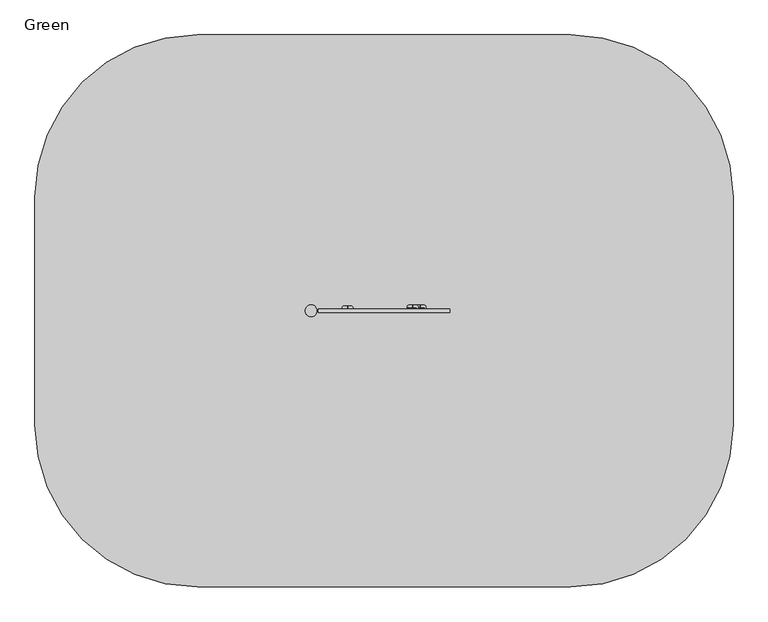
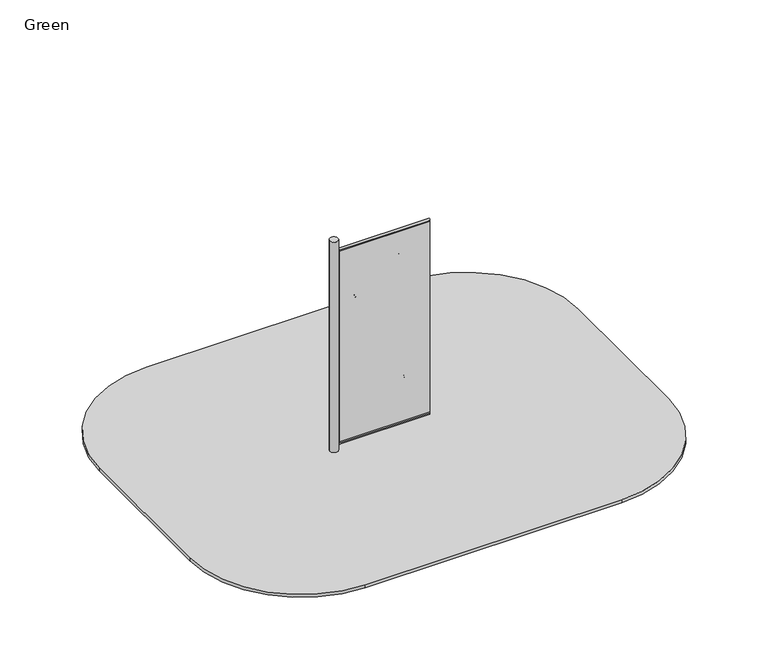
"""IFC4 building model written with IfcOpenShell, lengths in millimetres: furniture geometry, Green."""

from ifc_helpers import new_model, si_unit, point, frame, frame_2d, origin, place, context, project, spatial, polyline, circle_curve, ellipse_curve, trimmed, segment, composite_curve, outline, extrude, source, transform, mapped, element, save
from ifc_brep_helpers import plane_surface, revolved_surface, advanced_brep


def green_36b7f250(model_context):
    return source(origin(), model_context, "Body", "SolidModel", [
        advanced_brep(
        [(287.0, 16.4999962, 700.0), (297.0, 16.4999962, 700.0), (297.0, 32.6334274, 700.0), (336.8, 32.6334274, 700.0), (336.8, 52.6334274, 700.0), (304.9059358, 52.6334274, 700.0), (289.2570442, 43.5545372, 700.0), (387.0, 16.4999962, 700.0), (384.7429558, 43.5545372, 700.0), (369.0940642, 52.6334274, 700.0), (337.2, 52.6334274, 700.0), (337.2, 32.6334274, 700.0), (377.0, 32.6334274, 700.0), (377.0, 16.4999962, 700.0)],
        [
            (0, 1),
            (1, 2),
            (2, 3),
            (3, 4),
            (4, 5),
            (5, 6, circle_curve(frame((304.9059358, 34.6073225, 700.0), z_axis=(0.0, 0.0, 1.0), x_axis=(1.0, 0.0, 0.0)), 18.026105)),
            (6, 0, circle_curve(frame((317.1513924, 27.6060132, 700.0), z_axis=(0.0, 0.0, 1.0), x_axis=(1.0, 0.0, 0.0)), 32.1317612)),
            (7, 8, circle_curve(frame((356.8486076, 27.6060132, 700.0), z_axis=(0.0, 0.0, 1.0), x_axis=(-1.0, 0.0, 0.0)), 32.1317612)),
            (8, 9, circle_curve(frame((369.0940642, 34.6073225, 700.0), z_axis=(0.0, 0.0, 1.0), x_axis=(-1.0, 0.0, 0.0)), 18.026105)),
            (9, 10),
            (10, 11),
            (11, 12),
            (12, 13),
            (13, 7),
            (13, 1, circle_curve(frame((337.0, 16.4999962, 700.0), z_axis=(0.0, 1.0, 0.0), x_axis=(-1.0, 0.0, 0.0)), 40.0)),
            (0, 7, circle_curve(frame((337.0, 16.4999962, 700.0), z_axis=(0.0, -1.0, 0.0), x_axis=(-1.0, 0.0, 0.0)), 50.0)),
            (12, 2, circle_curve(frame((337.0, 32.6334274, 700.0), z_axis=(0.0, 1.0, 0.0), x_axis=(-1.0, 0.0, 0.0)), 40.0)),
            (9, 5, circle_curve(frame((337.0, 52.6334274, 700.0), z_axis=(0.0, 1.0, 0.0), x_axis=(-1.0, 0.0, 0.0)), 32.0940642)),
            (4, 10, circle_curve(frame((337.0, 52.6334274, 700.0), z_axis=(0.0, -1.0, 0.0), x_axis=(-1.0, 0.0, 0.0)), 0.2)),
            (11, 3, circle_curve(frame((337.0, 32.6334274, 700.0), z_axis=(0.0, 1.0, 0.0), x_axis=(-1.0, 0.0, 0.0)), 0.2)),
            (8, 6, circle_curve(frame((337.0, 43.5545372, 700.0), z_axis=(0.0, 1.0, 0.0), x_axis=(-1.0, 0.0, 0.0)), 47.7429558)),
        ],
        [
            plane_surface(frame((297.0, 16.4999962, 700.0), z_axis=(0.0, 0.0, 1.0), x_axis=(0.0, -1.0, 0.0))),
            plane_surface(frame((377.0, 16.4999962, 700.0), z_axis=(0.0, 0.0, 1.0), x_axis=(0.0, -1.0, 0.0))),
            plane_surface(frame((337.0, 16.4999962, 700.0), z_axis=(0.0, -1.0, 0.0), x_axis=(-1.0, 0.0, 0.0))),
            revolved_surface(polyline([(297.0, 16.4999962, 700.0), (297.0, 32.6334274, 700.0)]), (337.0, 16.4999962, 700.0), (0.0, -1.0, 0.0)),
            plane_surface(frame((337.0, 52.6334274, 700.0), z_axis=(0.0, 1.0, 0.0), x_axis=(-1.0, 0.0, 0.0))),
            plane_surface(frame((337.0, 32.6334274, 700.0), z_axis=(0.0, -1.0, 0.0), x_axis=(-1.0, 0.0, 0.0))),
            revolved_surface(polyline([(336.8, 32.6334274, 700.0), (336.8, 52.6334274, 700.0)]), (337.0, 16.4999962, 700.0), (0.0, -1.0, 0.0)),
            revolved_surface(trimmed(ellipse_curve(frame((304.9059358, 34.6073225, 700.0), z_axis=(0.0, 0.0, 1.0), x_axis=(1.0, 0.0, 0.0)), 18.026105, 18.026105), [point((304.9059358, 52.6334274, 700.0))], [point((289.2570442, 43.5545372, 700.0))], True, "CARTESIAN"), (337.0, 16.4999962, 700.0), (0.0, -1.0, 0.0)),
            revolved_surface(trimmed(ellipse_curve(frame((317.1513924, 27.6060132, 700.0), z_axis=(0.0, 0.0, 1.0), x_axis=(1.0, 0.0, 0.0)), 32.1317612, 32.1317612), [point((289.2570442, 43.5545372, 700.0))], [point((287.0, 16.4999962, 700.0))], True, "CARTESIAN"), (337.0, 16.4999962, 700.0), (0.0, -1.0, 0.0)),
        ],
        [
            (0, [[1, 2, 3, 4, 5, 6, 7]]),
            (1, [[8, 9, 10, 11, 12, 13, 14]]),
            (2, [[15, -1, 16, -14]]),
            (3, [[17, -2, -15, -13]]),
            (4, [[18, -5, 19, -10]]),
            (5, [[20, -3, -17, -12]]),
            (6, [[-19, -4, -20, -11]]),
            (7, [[21, -6, -18, -9]]),
            (8, [[-16, -7, -21, -8]]),
        ],
    ),
        advanced_brep(
        [(215.0, 16.4999962, 2475.0), (225.0, 16.4999962, 2475.0), (225.0, 32.6334274, 2475.0), (264.8, 32.6334274, 2475.0), (264.8, 52.6334274, 2475.0), (232.9059358, 52.6334274, 2475.0), (217.2570442, 43.5545372, 2475.0), (315.0, 16.4999962, 2475.0), (312.7429558, 43.5545372, 2475.0), (297.0940642, 52.6334274, 2475.0), (265.2, 52.6334274, 2475.0), (265.2, 32.6334274, 2475.0), (305.0, 32.6334274, 2475.0), (305.0, 16.4999962, 2475.0)],
        [
            (0, 1),
            (1, 2),
            (2, 3),
            (3, 4),
            (4, 5),
            (5, 6, circle_curve(frame((232.9059358, 34.6073225, 2475.0), z_axis=(0.0, 0.0, 1.0), x_axis=(1.0, 0.0, 0.0)), 18.026105)),
            (6, 0, circle_curve(frame((245.1513924, 27.6060132, 2475.0), z_axis=(0.0, 0.0, 1.0), x_axis=(1.0, 0.0, 0.0)), 32.1317612)),
            (7, 8, circle_curve(frame((284.8486076, 27.6060132, 2475.0), z_axis=(0.0, 0.0, 1.0), x_axis=(-1.0, 0.0, 0.0)), 32.1317612)),
            (8, 9, circle_curve(frame((297.0940642, 34.6073225, 2475.0), z_axis=(0.0, 0.0, 1.0), x_axis=(-1.0, 0.0, 0.0)), 18.026105)),
            (9, 10),
            (10, 11),
            (11, 12),
            (12, 13),
            (13, 7),
            (13, 1, circle_curve(frame((265.0, 16.4999962, 2475.0), z_axis=(0.0, 1.0, 0.0), x_axis=(-1.0, 0.0, 0.0)), 40.0)),
            (0, 7, circle_curve(frame((265.0, 16.4999962, 2475.0), z_axis=(0.0, -1.0, 0.0), x_axis=(-1.0, 0.0, 0.0)), 50.0)),
            (12, 2, circle_curve(frame((265.0, 32.6334274, 2475.0), z_axis=(0.0, 1.0, 0.0), x_axis=(-1.0, 0.0, 0.0)), 40.0)),
            (9, 5, circle_curve(frame((265.0, 52.6334274, 2475.0), z_axis=(0.0, 1.0, 0.0), x_axis=(-1.0, 0.0, 0.0)), 32.0940642)),
            (4, 10, circle_curve(frame((265.0, 52.6334274, 2475.0), z_axis=(0.0, -1.0, 0.0), x_axis=(-1.0, 0.0, 0.0)), 0.2)),
            (11, 3, circle_curve(frame((265.0, 32.6334274, 2475.0), z_axis=(0.0, 1.0, 0.0), x_axis=(-1.0, 0.0, 0.0)), 0.2)),
            (8, 6, circle_curve(frame((265.0, 43.5545372, 2475.0), z_axis=(0.0, 1.0, 0.0), x_axis=(-1.0, 0.0, 0.0)), 47.7429558)),
        ],
        [
            plane_surface(frame((225.0, 16.4999962, 2475.0), z_axis=(0.0, 0.0, 1.0), x_axis=(0.0, -1.0, 0.0))),
            plane_surface(frame((305.0, 16.4999962, 2475.0), z_axis=(0.0, 0.0, 1.0), x_axis=(0.0, -1.0, 0.0))),
            plane_surface(frame((265.0, 16.4999962, 2475.0), z_axis=(0.0, -1.0, 0.0), x_axis=(-1.0, 0.0, 0.0))),
            revolved_surface(polyline([(225.0, 16.4999962, 2475.0), (225.0, 32.6334274, 2475.0)]), (265.0, 16.4999962, 2475.0), (0.0, -1.0, 0.0)),
            plane_surface(frame((265.0, 52.6334274, 2475.0), z_axis=(0.0, 1.0, 0.0), x_axis=(-1.0, 0.0, 0.0))),
            plane_surface(frame((265.0, 32.6334274, 2475.0), z_axis=(0.0, -1.0, 0.0), x_axis=(-1.0, 0.0, 0.0))),
            revolved_surface(polyline([(264.8, 32.6334274, 2475.0), (264.8, 52.6334274, 2475.0)]), (265.0, 16.4999962, 2475.0), (0.0, -1.0, 0.0)),
            revolved_surface(trimmed(ellipse_curve(frame((232.9059358, 34.6073225, 2475.0), z_axis=(0.0, 0.0, 1.0), x_axis=(1.0, 0.0, 0.0)), 18.026105, 18.026105), [point((232.9059358, 52.6334274, 2475.0))], [point((217.2570442, 43.5545372, 2475.0))], True, "CARTESIAN"), (265.0, 16.4999962, 2475.0), (0.0, -1.0, 0.0)),
            revolved_surface(trimmed(ellipse_curve(frame((245.1513924, 27.6060132, 2475.0), z_axis=(0.0, 0.0, 1.0), x_axis=(1.0, 0.0, 0.0)), 32.1317612, 32.1317612), [point((217.2570442, 43.5545372, 2475.0))], [point((215.0, 16.4999962, 2475.0))], True, "CARTESIAN"), (265.0, 16.4999962, 2475.0), (0.0, -1.0, 0.0)),
        ],
        [
            (0, [[1, 2, 3, 4, 5, 6, 7]]),
            (1, [[8, 9, 10, 11, 12, 13, 14]]),
            (2, [[15, -1, 16, -14]]),
            (3, [[17, -2, -15, -13]]),
            (4, [[18, -5, 19, -10]]),
            (5, [[20, -3, -17, -12]]),
            (6, [[-19, -4, -20, -11]]),
            (7, [[21, -6, -18, -9]]),
            (8, [[-16, -7, -21, -8]]),
        ],
    ),
        advanced_brep(
        [(-387.0, 7.5, 2095.0), (-377.0, 7.5, 2095.0), (-377.0, 23.6334312, 2095.0), (-337.2, 23.6334312, 2095.0), (-337.2, 43.6334312, 2095.0), (-369.0940642, 43.6334312, 2095.0), (-384.7429558, 34.554541, 2095.0), (-287.0, 7.5, 2095.0), (-289.2570442, 34.554541, 2095.0), (-304.9059358, 43.6334312, 2095.0), (-336.8, 43.6334312, 2095.0), (-336.8, 23.6334312, 2095.0), (-297.0, 23.6334312, 2095.0), (-297.0, 7.5, 2095.0)],
        [
            (0, 1),
            (1, 2),
            (2, 3),
            (3, 4),
            (4, 5),
            (5, 6, circle_curve(frame((-369.0940642, 25.6073263, 2095.0), z_axis=(0.0, 0.0, 1.0), x_axis=(1.0, 0.0, 0.0)), 18.026105)),
            (6, 0, circle_curve(frame((-356.8486076, 18.606017, 2095.0), z_axis=(0.0, 0.0, 1.0), x_axis=(1.0, 0.0, 0.0)), 32.1317612)),
            (7, 8, circle_curve(frame((-317.1513924, 18.606017, 2095.0), z_axis=(0.0, 0.0, 1.0), x_axis=(-1.0, 0.0, 0.0)), 32.1317612)),
            (8, 9, circle_curve(frame((-304.9059358, 25.6073263, 2095.0), z_axis=(0.0, 0.0, 1.0), x_axis=(-1.0, 0.0, 0.0)), 18.026105)),
            (9, 10),
            (10, 11),
            (11, 12),
            (12, 13),
            (13, 7),
            (13, 1, circle_curve(frame((-337.0, 7.5, 2095.0), z_axis=(0.0, 1.0, 0.0), x_axis=(-1.0, 0.0, 0.0)), 40.0)),
            (0, 7, circle_curve(frame((-337.0, 7.5, 2095.0), z_axis=(0.0, -1.0, 0.0), x_axis=(-1.0, 0.0, 0.0)), 50.0)),
            (12, 2, circle_curve(frame((-337.0, 23.6334312, 2095.0), z_axis=(0.0, 1.0, 0.0), x_axis=(-1.0, 0.0, 0.0)), 40.0)),
            (9, 5, circle_curve(frame((-337.0, 43.6334312, 2095.0), z_axis=(0.0, 1.0, 0.0), x_axis=(-1.0, 0.0, 0.0)), 32.0940642)),
            (4, 10, circle_curve(frame((-337.0, 43.6334312, 2095.0), z_axis=(0.0, -1.0, 0.0), x_axis=(-1.0, 0.0, 0.0)), 0.2)),
            (11, 3, circle_curve(frame((-337.0, 23.6334312, 2095.0), z_axis=(0.0, 1.0, 0.0), x_axis=(-1.0, 0.0, 0.0)), 0.2)),
            (8, 6, circle_curve(frame((-337.0, 34.554541, 2095.0), z_axis=(0.0, 1.0, 0.0), x_axis=(-1.0, 0.0, 0.0)), 47.7429558)),
        ],
        [
            plane_surface(frame((-377.0, 7.5, 2095.0), z_axis=(0.0, 0.0, 1.0), x_axis=(0.0, -1.0, 0.0))),
            plane_surface(frame((-297.0, 7.5, 2095.0), z_axis=(0.0, 0.0, 1.0), x_axis=(0.0, -1.0, 0.0))),
            plane_surface(frame((-337.0, 7.5, 2095.0), z_axis=(0.0, -1.0, 0.0), x_axis=(-1.0, 0.0, 0.0))),
            revolved_surface(polyline([(-377.0, 7.5, 2095.0), (-377.0, 23.6334312, 2095.0)]), (-337.0, 7.5, 2095.0), (0.0, -1.0, 0.0)),
            plane_surface(frame((-337.0, 43.6334312, 2095.0), z_axis=(0.0, 1.0, 0.0), x_axis=(-1.0, 0.0, 0.0))),
            plane_surface(frame((-337.0, 23.6334312, 2095.0), z_axis=(0.0, -1.0, 0.0), x_axis=(-1.0, 0.0, 0.0))),
            revolved_surface(polyline([(-337.2, 23.6334312, 2095.0), (-337.2, 43.6334312, 2095.0)]), (-337.0, 7.5, 2095.0), (0.0, -1.0, 0.0)),
            revolved_surface(trimmed(ellipse_curve(frame((-369.0940642, 25.6073263, 2095.0), z_axis=(0.0, 0.0, 1.0), x_axis=(1.0, 0.0, 0.0)), 18.026105, 18.026105), [point((-369.0940642, 43.6334312, 2095.0))], [point((-384.7429558, 34.554541, 2095.0))], True, "CARTESIAN"), (-337.0, 7.5, 2095.0), (0.0, -1.0, 0.0)),
            revolved_surface(trimmed(ellipse_curve(frame((-356.8486076, 18.606017, 2095.0), z_axis=(0.0, 0.0, 1.0), x_axis=(1.0, 0.0, 0.0)), 32.1317612, 32.1317612), [point((-384.7429558, 34.554541, 2095.0))], [point((-387.0, 7.5, 2095.0))], True, "CARTESIAN"), (-337.0, 7.5, 2095.0), (0.0, -1.0, 0.0)),
        ],
        [
            (0, [[1, 2, 3, 4, 5, 6, 7]]),
            (1, [[8, 9, 10, 11, 12, 13, 14]]),
            (2, [[15, -1, 16, -14]]),
            (3, [[17, -2, -15, -13]]),
            (4, [[18, -5, 19, -10]]),
            (5, [[20, -3, -17, -12]]),
            (6, [[-19, -4, -20, -11]]),
            (7, [[21, -6, -18, -9]]),
            (8, [[-16, -7, -21, -8]]),
        ],
    ),
        extrude(outline(polyline([(610.3, -7.5), (-610.3, -7.5), (-610.3, 7.5), (610.3, 7.5), (610.3, -7.5)])), frame((0.0, 0.0, 98.5), z_axis=(0.0, 0.0, 1.0), x_axis=(1.0, 0.0, 0.0)), (0.0, 0.0, 1.0), 2716.9369511),
        extrude(outline(composite_curve([segment(trimmed(circle_curve(frame_2d((0.0, 82.0)), 16.5), [point((-16.5, 82.0))], [point((16.5, 82.0))], False, "CARTESIAN"), True, "CONTINUOUS"), segment(trimmed(circle_curve(frame_2d((0.0, 82.0)), 16.5), [point((16.5, 82.0))], [point((-16.5, 82.0))], False, "CARTESIAN"), True, "CONTINUOUS")], self_intersect=False)), frame((-610.3, 0.0, 0.0), z_axis=(1.0, 0.0, 0.0), x_axis=(0.0, 1.0, 0.0)), (0.0, 0.0, 1.0), 1220.6),
        extrude(outline(composite_curve([segment(trimmed(circle_curve(frame_2d((0.0, 2831.9367793)), 16.5), [point((-16.5, 2831.9367793))], [point((16.5, 2831.9367793))], False, "CARTESIAN"), True, "CONTINUOUS"), segment(trimmed(circle_curve(frame_2d((0.0, 2831.9367793)), 16.5), [point((16.5, 2831.9367793))], [point((-16.5, 2831.9367793))], False, "CARTESIAN"), True, "CONTINUOUS")], self_intersect=False)), frame((-610.3, 0.0, 0.0), z_axis=(1.0, 0.0, 0.0), x_axis=(0.0, 1.0, 0.0)), (0.0, 0.0, 1.0), 1220.6),
        extrude(outline(composite_curve([segment(trimmed(circle_curve(frame_2d((1730.0, 1055.0)), 1500.0), [point((1730.0, 2555.0))], [point((3230.0, 1055.0))], False, "CARTESIAN"), True, "CONTINUOUS"), segment(polyline([(3230.0, 1055.0), (3230.0, -1055.0)]), True, "CONTINUOUS"), segment(trimmed(circle_curve(frame_2d((1730.0, -1055.0)), 1500.0), [point((3230.0, -1055.0))], [point((1730.0, -2555.0))], False, "CARTESIAN"), True, "CONTINUOUS"), segment(polyline([(1730.0, -2555.0), (-1730.0, -2555.0)]), True, "CONTINUOUS"), segment(trimmed(circle_curve(frame_2d((-1730.0, -1055.0)), 1500.0), [point((-1730.0, -2555.0))], [point((-3230.0, -1055.0))], False, "CARTESIAN"), True, "CONTINUOUS"), segment(polyline([(-3230.0, -1055.0), (-3230.0, 1055.0)]), True, "CONTINUOUS"), segment(trimmed(circle_curve(frame_2d((-1730.0, 1055.0)), 1500.0), [point((-3230.0, 1055.0))], [point((-1730.0, 2555.0))], False, "CARTESIAN"), True, "CONTINUOUS"), segment(polyline([(-1730.0, 2555.0), (1730.0, 2555.0)]), True, "CONTINUOUS")], self_intersect=False)), frame((0.0, 0.0, -40.0), z_axis=(0.0, 0.0, 1.0), x_axis=(1.0, 0.0, 0.0)), (0.0, 0.0, 1.0), 41.0),
        extrude(outline(composite_curve([segment(trimmed(circle_curve(frame_2d((-675.0, 0.0)), 55.0), [point((-730.0, 0.0))], [point((-620.0, 0.0))], False, "CARTESIAN"), True, "CONTINUOUS"), segment(trimmed(circle_curve(frame_2d((-675.0, 0.0)), 55.0), [point((-620.0, 0.0))], [point((-730.0, 0.0))], False, "CARTESIAN"), True, "CONTINUOUS")], self_intersect=False)), frame((0.0, 0.0, -100.0), z_axis=(0.0, 0.0, 1.0), x_axis=(1.0, 0.0, 0.0)), (0.0, 0.0, 1.0), 3100.0),
    ])


if __name__ == "__main__":
    model = new_model("IFC4")
    model_context = context("Model", 3, world=origin())
    ifc_project = project(units=[si_unit("LENGTHUNIT", "METRE", prefix="MILLI")], contexts=[model_context])
    site = spatial("IfcSite", under=ifc_project)
    building = spatial("IfcBuilding", under=site)
    placement = place(None, origin())
    green_shape = green_36b7f250(model_context)
    element("IfcFurniture", 1, ObjectType="Green", at=placement, inside=building, context=model_context, shape_type="MappedRepresentation", body=[
        mapped(green_shape, transform((0.0, 0.0, 0.0), x_axis=(1.0, 0.0, 0.0), y_axis=(0.0, 1.0, 0.0), z_axis=(0.0, 0.0, 1.0))),
    ])
    save(model, "model.ifc")
